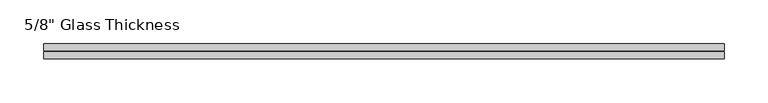
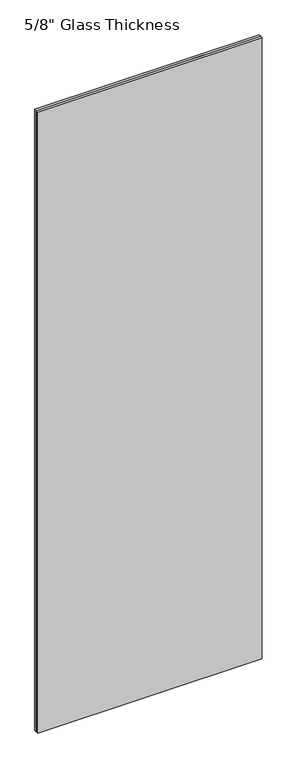
"""IFC4 building model written with IfcOpenShell, lengths in millimetres: plate geometry."""

from ifc_helpers import new_model, si_unit, origin, origin_with_axes, place, context, project, spatial, polyline, outline, extrude, source, transform, mapped, element, save


def plate_b5c915f3(model_context):
    return source(origin(), model_context, "Body", "SweptSolid", [
        extrude(outline(polyline([(388.0, 8.76), (-388.0, 8.76), (-388.0, 16.76), (388.0, 16.76), (388.0, 8.76)])), origin_with_axes(), (0.0, 0.0, 1.0), 2267.0),
        extrude(outline(polyline([(388.0, 0.0), (-388.0, 0.0), (-388.0, 8.0), (388.0, 8.0), (388.0, 0.0)])), origin_with_axes(), (0.0, 0.0, 1.0), 2267.0),
    ])


if __name__ == "__main__":
    model = new_model("IFC4")
    model_context = context("Model", 3, world=origin())
    ifc_project = project(units=[si_unit("LENGTHUNIT", "METRE", prefix="MILLI")], contexts=[model_context])
    site = spatial("IfcSite", under=ifc_project)
    building = spatial("IfcBuilding", under=site)
    placement = place(None, origin())
    plate_shape = plate_b5c915f3(model_context)
    element("IfcPlate", 1, ObjectType="5/8\" Glass Thickness", at=placement, inside=building, context=model_context, shape_type="MappedRepresentation", body=[
        mapped(plate_shape, transform((0.0, 0.0, 0.0), x_axis=(1.0, 0.0, 0.0), y_axis=(0.0, 1.0, 0.0), z_axis=(0.0, 0.0, 1.0))),
    ])
    save(model, "model.ifc")
